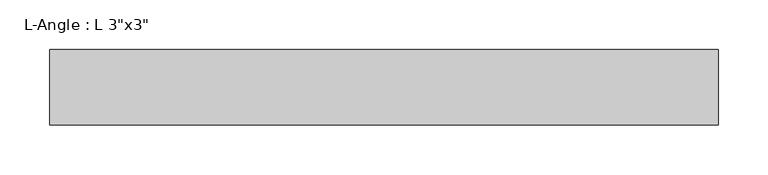
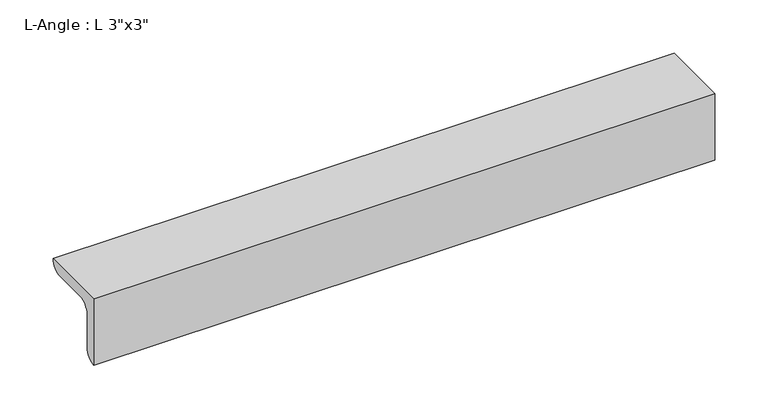
"""IFC4 building model written with IfcOpenShell, lengths in millimetres: beam geometry."""

from ifc_helpers import new_model, si_unit, point, frame, frame_2d, origin, place, context, project, spatial, polyline, circle_curve, trimmed, segment, composite_curve, outline, extrude, source, transform, mapped, element, save


def beam_23a87dc3(model_context):
    return source(origin(), model_context, "Body", "SweptSolid", [
        extrude(outline(composite_curve([segment(polyline([(-24.9039062, 50.3039062), (51.2960938, 50.3039062)]), True, "CONTINUOUS"), segment(trimmed(circle_curve(frame_2d((38.5960938, 50.3039062)), 12.7), [point((51.2960938, 50.3039062))], [point((38.5960938, 37.6039062))], False, "CARTESIAN"), True, "CONTINUOUS"), segment(polyline([(38.5960938, 37.6039062), (0.4960938, 37.6039062)]), True, "CONTINUOUS"), segment(trimmed(circle_curve(frame_2d((0.4960938, 24.9039062)), 12.7), [point((0.4960938, 37.6039062))], [point((-12.2039062, 24.9039062))], True, "CARTESIAN"), True, "CONTINUOUS"), segment(polyline([(-12.2039062, 24.9039062), (-12.2039062, -13.1960938)]), True, "CONTINUOUS"), segment(trimmed(circle_curve(frame_2d((-24.9039062, -13.1960938)), 12.7), [point((-12.2039062, -13.1960938))], [point((-24.9039062, -25.8960938))], False, "CARTESIAN"), True, "CONTINUOUS"), segment(polyline([(-24.9039062, -25.8960938), (-24.9039062, 50.3039062)]), True, "CONTINUOUS")], self_intersect=False)), frame((-336.2742621, 0.0, 0.0), z_axis=(1.0, 0.0, 0.0), x_axis=(0.0, 1.0, 0.0)), (0.0, 0.0, 1.0), 672.5485241),
    ])


if __name__ == "__main__":
    model = new_model("IFC4")
    model_context = context("Model", 3, world=origin())
    ifc_project = project(units=[si_unit("LENGTHUNIT", "METRE", prefix="MILLI")], contexts=[model_context])
    site = spatial("IfcSite", under=ifc_project)
    building = spatial("IfcBuilding", under=site)
    placement = place(None, origin())
    beam_shape = beam_23a87dc3(model_context)
    element("IfcBeam", 1, ObjectType="L-Angle : L 3\"x3\"", at=placement, inside=building, context=model_context, shape_type="MappedRepresentation", body=[
        mapped(beam_shape, transform((0.0, 0.0, 0.0), x_axis=(1.0, 0.0, 0.0), y_axis=(0.0, 1.0, 0.0), z_axis=(0.0, 0.0, 1.0))),
    ])
    save(model, "model.ifc")
